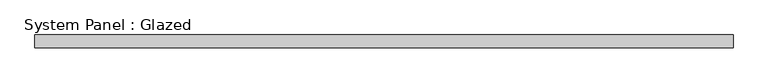
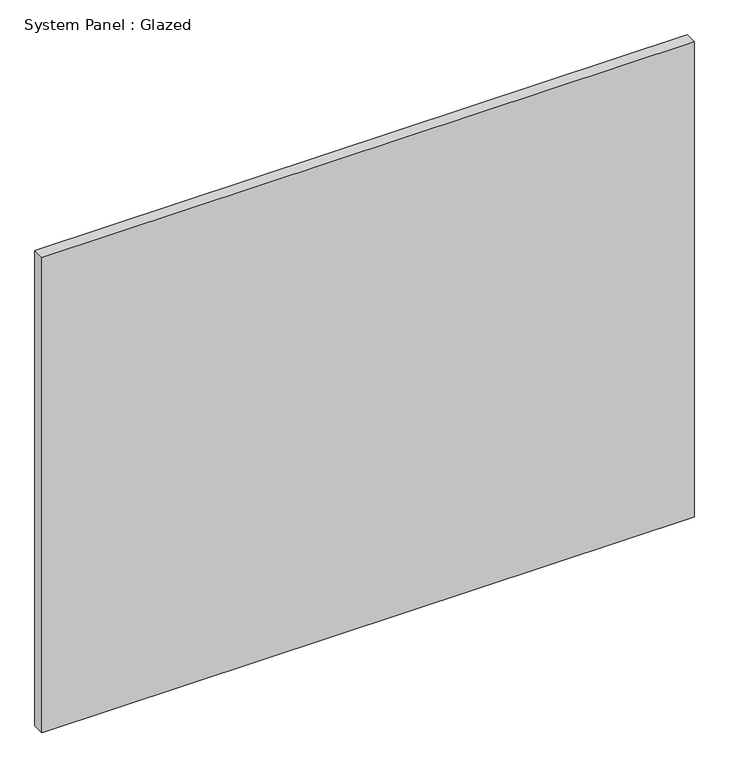
"""IFC4 building model written with IfcOpenShell, lengths in millimetres: plate geometry, System Panel : Glazed."""

from ifc_helpers import new_model, si_unit, origin, origin_with_axes, place, context, project, spatial, polyline, outline, extrude, source, transform, mapped, element, save


def system_panel_glazed_aa890562(model_context):
    return source(origin(), model_context, "Body", "SweptSolid", [
        extrude(outline(polyline([(700.913, -12.7), (-700.913, -12.7), (-700.913, 12.7), (700.913, 12.7), (700.913, -12.7)])), origin_with_axes(), (0.0, 0.0, 1.0), 1080.0),
    ])


if __name__ == "__main__":
    model = new_model("IFC4")
    model_context = context("Model", 3, world=origin())
    ifc_project = project(units=[si_unit("LENGTHUNIT", "METRE", prefix="MILLI")], contexts=[model_context])
    site = spatial("IfcSite", under=ifc_project)
    building = spatial("IfcBuilding", under=site)
    placement = place(None, origin())
    system_panel_glazed_shape = system_panel_glazed_aa890562(model_context)
    element("IfcPlate", 1, ObjectType="System Panel : Glazed", at=placement, inside=building, context=model_context, shape_type="MappedRepresentation", body=[
        mapped(system_panel_glazed_shape, transform((0.0, 0.0, 0.0), x_axis=(1.0, 0.0, 0.0), y_axis=(0.0, 1.0, 0.0), z_axis=(0.0, 0.0, 1.0))),
    ])
    save(model, "model.ifc")
